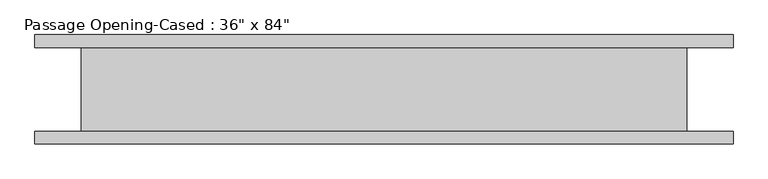
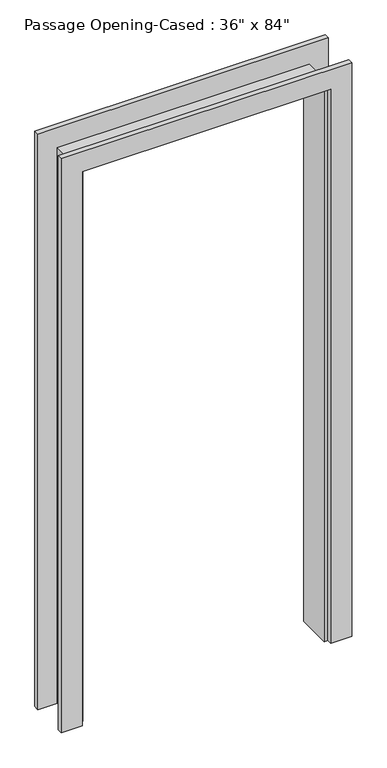
"""IFC4 building model written with IfcOpenShell, lengths in millimetres: proxy geometry."""

import ifcopenshell
import ifcopenshell.guid

model = None  # the IFC model being written
_history = None  # IfcOwnerHistory: only IFC2X3 demands one
_inside = {}  # id of a spatial element -> (the spatial element, [elements in it])
_under = {}  # id of a project, library or spatial element -> (it, [spatial elements below it])
_declared = {}  # id of a project -> (the project, [libraries it declares])
_typed = {}  # id of a type object -> (the type object, [elements of that type])
_made_of = {}  # id of a material, layer set ... -> (it, [elements and type objects made of it])


def new_model(schema):
    """Start an empty IFC model of exactly this schema.

    Asked for "IFC4X3", IfcOpenShell would pick the latest addendum, in which some entities
    have other attributes; the version numbers below select the first issue.
    IFC2X3 requires an IfcOwnerHistory on every rooted entity: one is made here for all.
    """
    global model, _history
    if schema == "IFC4X3":
        model = ifcopenshell.file(schema_version=(4, 3, 0, 0))
    else:
        model = ifcopenshell.file(schema=schema)
    _inside.clear()
    _under.clear()
    _declared.clear()
    _typed.clear()
    _made_of.clear()
    _history = None
    if model.schema == "IFC2X3":
        org = make("IfcOrganization", Name="unknown")
        user = make(
            "IfcPersonAndOrganization",
            ThePerson=make("IfcPerson", FamilyName="unknown"),
            TheOrganization=org,
        )
        app = make(
            "IfcApplication",
            ApplicationDeveloper=org,
            Version="unknown",
            ApplicationFullName="unknown",
            ApplicationIdentifier="unknown",
        )
        _history = make(
            "IfcOwnerHistory",
            OwningUser=user,
            OwningApplication=app,
            ChangeAction="ADDED",
            CreationDate=0,
        )
    return model


def make(cls, **values):
    """One entity of the class cls with the attributes given. An attribute that is None is left unset."""
    return model.create_entity(
        cls, **{name: value for name, value in values.items() if value is not None}
    )


def rooted(cls, **values):
    """An entity with a GlobalId (a new one), such as an element, a storey or a relation."""
    return make(cls, GlobalId=ifcopenshell.guid.new(), OwnerHistory=_history, **values)


def si_unit(unit_type, name, prefix=None):
    """IfcSIUnit, for example si_unit("LENGTHUNIT", "METRE", prefix="MILLI")."""
    return make("IfcSIUnit", UnitType=unit_type, Prefix=prefix, Name=name)


def assignment(units):
    """IfcUnitAssignment: the units of a project."""
    return None if units is None else make("IfcUnitAssignment", Units=units)


def point(xyz):
    """IfcCartesianPoint."""
    return None if xyz is None else make("IfcCartesianPoint", Coordinates=xyz)


def direction(xyz):
    """IfcDirection."""
    return None if xyz is None else make("IfcDirection", DirectionRatios=xyz)


def frame(location, z_axis=None, x_axis=None):
    """IfcAxis2Placement3D, a coordinate frame: its origin and axes. An axis left out is left unset."""
    return make(
        "IfcAxis2Placement3D",
        Location=point(location),
        Axis=direction(z_axis),
        RefDirection=direction(x_axis),
    )


def origin():
    """The frame at (0, 0, 0) with its axes left unset."""
    return frame((0.0, 0.0, 0.0))


def place(relative_to, where):
    """IfcLocalPlacement: puts the frame where relative to a parent placement (None: the world)."""
    return make(
        "IfcLocalPlacement", PlacementRelTo=relative_to, RelativePlacement=where
    )


def context(
    kind, dimensions, precision=None, world=None, true_north=None, identifier=None
):
    """IfcGeometricRepresentationContext, for example the 3D "Model" context."""
    return make(
        "IfcGeometricRepresentationContext",
        ContextIdentifier=identifier,
        ContextType=kind,
        CoordinateSpaceDimension=dimensions,
        Precision=precision,
        WorldCoordinateSystem=world,
        TrueNorth=true_north,
    )


def project(units=None, contexts=None):
    """IfcProject with its units and contexts."""
    return rooted(
        "IfcProject",
        Name="project",
        RepresentationContexts=contexts,
        UnitsInContext=assignment(units),
    )


def spatial(cls, under=None, at=None, **own):
    """A site, building, storey or space (cls), placed at a placement, below another one or the project."""
    s = rooted(cls, ObjectPlacement=at, **own)
    if under is not None:
        _under.setdefault(under.id(), (under, []))[1].append(s)
    return s


def polyline(points):
    """IfcPolyline through the points."""
    return make("IfcPolyline", Points=[point(p) for p in points])


def outline(outer, holes=None, kind="AREA"):
    """IfcArbitraryClosedProfileDef: a profile drawn as a closed curve; with holes, ...WithVoids."""
    if holes is None:
        return make("IfcArbitraryClosedProfileDef", ProfileType=kind, OuterCurve=outer)
    return make(
        "IfcArbitraryProfileDefWithVoids",
        ProfileType=kind,
        OuterCurve=outer,
        InnerCurves=holes,
    )


def extrude(swept, where, along, depth):
    """IfcExtrudedAreaSolid: the profile swept, set in the frame where, extruded along a direction by depth."""
    return make(
        "IfcExtrudedAreaSolid",
        SweptArea=swept,
        Position=where,
        ExtrudedDirection=direction(along),
        Depth=depth,
    )


def faces_of(points, faces, orient=None, outer=None):
    """IfcFace entities. A face is a list of loops; a loop is a list of indices into points, from 0.

    orient and outer hold one flag for each loop. By default every Orientation is true, the
    first loop of a face is its IfcFaceOuterBound and the others are IfcFaceBound.
    """
    made = []
    for i, loops in enumerate(faces):
        bounds = []
        for j, loop in enumerate(loops):
            is_outer = j == 0 if outer is None else outer[i][j]
            bounds.append(
                make(
                    "IfcFaceOuterBound" if is_outer else "IfcFaceBound",
                    Bound=make("IfcPolyLoop", Polygon=[points[k] for k in loop]),
                    Orientation=True if orient is None else orient[i][j],
                )
            )
        made.append(make("IfcFace", Bounds=bounds))
    return made


def faceted_brep(points, faces, orient=None, outer=None, voids=None):
    """IfcFacetedBrep: a solid bounded by flat faces; with voids (closed shells), ...WithVoids."""
    shared = [point(p) for p in points]
    hull = make("IfcClosedShell", CfsFaces=faces_of(shared, faces, orient, outer))
    if voids is None:
        return make("IfcFacetedBrep", Outer=hull)
    return make(
        "IfcFacetedBrepWithVoids",
        Outer=hull,
        Voids=[
            make(cls, CfsFaces=faces_of(shared, fs, o, b)) for cls, fs, o, b in voids
        ],
    )


def shape(context_of_items, identifier, shape_type, items):
    """IfcShapeRepresentation: the items that make up one representation, for example the "Body"."""
    return make(
        "IfcShapeRepresentation",
        ContextOfItems=context_of_items,
        RepresentationIdentifier=identifier,
        RepresentationType=shape_type,
        Items=items,
    )


def source(mapping_origin, context_of_items, identifier, shape_type, items):
    """IfcRepresentationMap: a shape defined once, which mapped items show again and again."""
    return make(
        "IfcRepresentationMap",
        MappingOrigin=mapping_origin,
        MappedRepresentation=shape(context_of_items, identifier, shape_type, items),
    )


def transform(
    local_origin,
    x_axis=None,
    y_axis=None,
    z_axis=None,
    scale=None,
    scale2=None,
    scale3=None,
    uniform=True,
):
    """IfcCartesianTransformationOperator3D, or its non-uniform kind. x_axis, y_axis, z_axis: its Axis1, 2, 3."""
    if uniform:
        return make(
            "IfcCartesianTransformationOperator3D",
            Axis1=direction(x_axis),
            Axis2=direction(y_axis),
            LocalOrigin=point(local_origin),
            Scale=scale,
            Axis3=direction(z_axis),
        )
    return make(
        "IfcCartesianTransformationOperator3DnonUniform",
        Axis1=direction(x_axis),
        Axis2=direction(y_axis),
        LocalOrigin=point(local_origin),
        Scale=scale,
        Axis3=direction(z_axis),
        Scale2=scale2,
        Scale3=scale3,
    )


def mapped(mapping_source, mapping_target):
    """IfcMappedItem: shows the shape of a source again, moved by a transform."""
    return make(
        "IfcMappedItem", MappingSource=mapping_source, MappingTarget=mapping_target
    )


def made_of(thing, what):
    """Note that an element or type object is made of a material, layer set ...; save() writes the relation."""
    if what is not None:
        _made_of.setdefault(what.id(), (what, []))[1].append(thing)
    return thing


def element(
    cls,
    number,
    at=None,
    inside=None,
    cuts=None,
    type_object=None,
    material=None,
    context=None,
    identifier="Body",
    shape_type=None,
    held_by="IfcProductDefinitionShape",
    body=None,
    shapes=None,
    **own,
):
    """One element of the class cls, such as IfcWall. Its Tag is "e" and its number.

    at: its placement. inside: the storey or other place that contains it. cuts: it is an
    opening in that element (IfcRelVoidsElement). A single representation is given by context,
    identifier, shape_type and body (its items); several are given by shapes. held_by: the class
    of the entity that holds the representations. save() writes the other relations.
    """
    e = rooted(cls, Tag="e%d" % number, ObjectPlacement=at, **own)
    if body is not None:
        shapes = [shape(context, identifier, shape_type, body)]
    if shapes is not None:
        e.Representation = make(held_by, Representations=shapes)
    if inside is not None:
        _inside.setdefault(inside.id(), (inside, []))[1].append(e)
    if cuts is not None:
        rooted(
            "IfcRelVoidsElement", RelatingBuildingElement=cuts, RelatedOpeningElement=e
        )
    if type_object is not None:
        _typed.setdefault(type_object.id(), (type_object, []))[1].append(e)
    return made_of(e, material)


def aggregate(whole, parts):
    """IfcRelAggregates: a whole, such as a stair, and the parts it consists of."""
    return rooted("IfcRelAggregates", RelatingObject=whole, RelatedObjects=parts)


def save(model, path):
    """Write the relations noted so far, then the file.

    IfcRelAggregates (storeys below a building ...), IfcRelContainedInSpatialStructure (elements
    in a storey), IfcRelDefinesByType, IfcRelAssociatesMaterial and IfcRelDeclares: one each for
    every whole, place, type object, material and project.
    """
    for whole, parts in _under.values():
        aggregate(whole, parts)
    for where, things in _inside.values():
        rooted(
            "IfcRelContainedInSpatialStructure",
            RelatedElements=things,
            RelatingStructure=where,
        )
    for kind, things in _typed.values():
        rooted("IfcRelDefinesByType", RelatedObjects=things, RelatingType=kind)
    for what, things in _made_of.values():
        rooted("IfcRelAssociatesMaterial", RelatedObjects=things, RelatingMaterial=what)
    for by, libraries in _declared.values():
        rooted("IfcRelDeclares", RelatingContext=by, RelatedDefinitions=libraries)
    model.write(path)


def proxy_c0fc0f5a(model_context):
    return source(origin(), model_context, "Body", "SolidModel", [
        extrude(outline(polyline([(0.0, -459.0386567), (2127.25, -459.0386567), (2127.25, 442.6613433), (0.0, 442.6613433), (0.0, 518.8613433), (2203.45, 518.8613433), (2203.45, -535.2386567), (0.0, -535.2386567), (0.0, -459.0386567)])), frame((0.0, -82.55, 0.0), z_axis=(0.0, 1.0, 0.0), x_axis=(0.0, 0.0, 1.0)), (0.0, 0.0, 1.0), 19.05),
        extrude(outline(polyline([(0.0, 518.8613433), (2209.8, 518.8613433), (2209.8, -535.2386567), (0.0, -535.2386567), (0.0, -459.0386567), (2127.25, -459.0386567), (2127.25, 442.6613433), (0.0, 442.6613433), (0.0, 518.8613433)])), frame((0.0, 63.5, 0.0), z_axis=(0.0, 1.0, 0.0), x_axis=(0.0, 0.0, 1.0)), (0.0, 0.0, 1.0), 19.05),
        faceted_brep([(429.9613433, 63.5, 0.0), (449.0113433, 63.5, 0.0), (449.0113433, -63.5, 0.0), (429.9613433, -63.5, 0.0), (429.9613433, 63.5, 2114.55), (449.0113433, 63.5, 2133.6), (449.0113433, -63.5, 2133.6), (429.9613433, -63.5, 2114.55), (-446.3386567, 63.5, 2114.55), (-465.3886567, 63.5, 2133.6), (-465.3886567, -63.5, 2133.6), (-446.3386567, -63.5, 2114.55), (-446.3386567, 63.5, 0.0), (-446.3386567, -63.5, 0.0), (-465.3886567, -63.5, 0.0), (-465.3886567, 63.5, 0.0)], [[[0, 1, 2, 3]], [[1, 0, 4, 5]], [[2, 1, 5, 6]], [[3, 2, 6, 7]], [[0, 3, 7, 4]], [[5, 4, 8, 9]], [[6, 5, 9, 10]], [[7, 6, 10, 11]], [[4, 7, 11, 8]], [[12, 13, 14, 15]], [[9, 8, 12, 15]], [[10, 9, 15, 14]], [[11, 10, 14, 13]], [[8, 11, 13, 12]]]),
    ])


if __name__ == "__main__":
    model = new_model("IFC4")
    model_context = context("Model", 3, world=origin())
    ifc_project = project(units=[si_unit("LENGTHUNIT", "METRE", prefix="MILLI")], contexts=[model_context])
    site = spatial("IfcSite", under=ifc_project)
    building = spatial("IfcBuilding", under=site)
    placement = place(None, origin())
    proxy_shape = proxy_c0fc0f5a(model_context)
    element("IfcBuildingElementProxy", 1, Name="Passage Opening-Cased : 36\" x 84\"", ObjectType="Passage Opening-Cased : 36\" x 84\"", at=placement, inside=building, context=model_context, shape_type="MappedRepresentation", body=[
        mapped(proxy_shape, transform((0.0, 0.0, 0.0), x_axis=(1.0, 0.0, 0.0), y_axis=(0.0, 1.0, 0.0), z_axis=(0.0, 0.0, 1.0))),
    ])
    save(model, "model.ifc")
